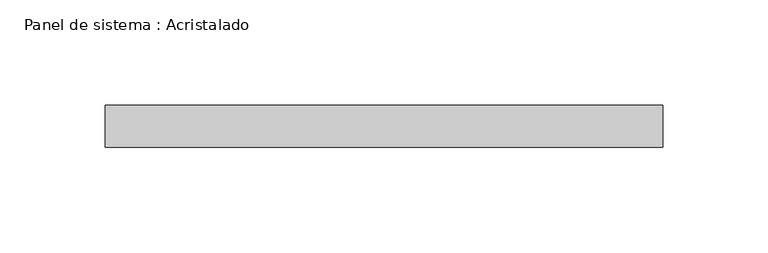
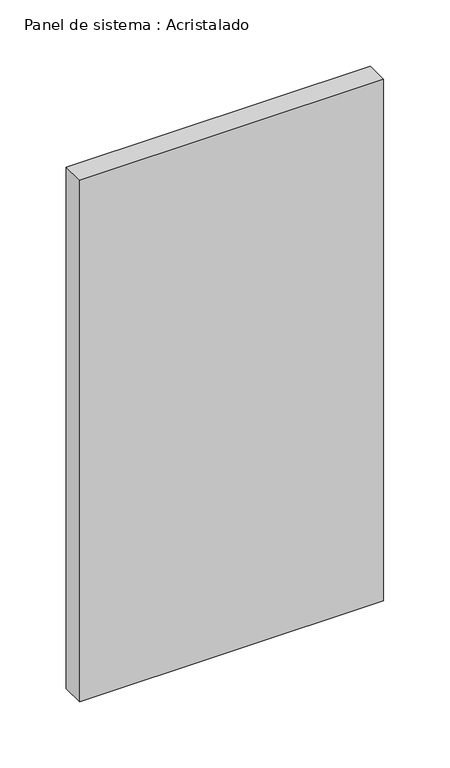
"""IFC4 building model written with IfcOpenShell, lengths in millimetres: plate geometry, Panel de sistema : Acristalado."""

import ifcopenshell
import ifcopenshell.guid

model = None  # the IFC model being written
_history = None  # IfcOwnerHistory: only IFC2X3 demands one
_inside = {}  # id of a spatial element -> (the spatial element, [elements in it])
_under = {}  # id of a project, library or spatial element -> (it, [spatial elements below it])
_declared = {}  # id of a project -> (the project, [libraries it declares])
_typed = {}  # id of a type object -> (the type object, [elements of that type])
_made_of = {}  # id of a material, layer set ... -> (it, [elements and type objects made of it])


def new_model(schema):
    """Start an empty IFC model of exactly this schema.

    Asked for "IFC4X3", IfcOpenShell would pick the latest addendum, in which some entities
    have other attributes; the version numbers below select the first issue.
    IFC2X3 requires an IfcOwnerHistory on every rooted entity: one is made here for all.
    """
    global model, _history
    if schema == "IFC4X3":
        model = ifcopenshell.file(schema_version=(4, 3, 0, 0))
    else:
        model = ifcopenshell.file(schema=schema)
    _inside.clear()
    _under.clear()
    _declared.clear()
    _typed.clear()
    _made_of.clear()
    _history = None
    if model.schema == "IFC2X3":
        org = make("IfcOrganization", Name="unknown")
        user = make(
            "IfcPersonAndOrganization",
            ThePerson=make("IfcPerson", FamilyName="unknown"),
            TheOrganization=org,
        )
        app = make(
            "IfcApplication",
            ApplicationDeveloper=org,
            Version="unknown",
            ApplicationFullName="unknown",
            ApplicationIdentifier="unknown",
        )
        _history = make(
            "IfcOwnerHistory",
            OwningUser=user,
            OwningApplication=app,
            ChangeAction="ADDED",
            CreationDate=0,
        )
    return model


def make(cls, **values):
    """One entity of the class cls with the attributes given. An attribute that is None is left unset."""
    return model.create_entity(
        cls, **{name: value for name, value in values.items() if value is not None}
    )


def rooted(cls, **values):
    """An entity with a GlobalId (a new one), such as an element, a storey or a relation."""
    return make(cls, GlobalId=ifcopenshell.guid.new(), OwnerHistory=_history, **values)


def si_unit(unit_type, name, prefix=None):
    """IfcSIUnit, for example si_unit("LENGTHUNIT", "METRE", prefix="MILLI")."""
    return make("IfcSIUnit", UnitType=unit_type, Prefix=prefix, Name=name)


def assignment(units):
    """IfcUnitAssignment: the units of a project."""
    return None if units is None else make("IfcUnitAssignment", Units=units)


def point(xyz):
    """IfcCartesianPoint."""
    return None if xyz is None else make("IfcCartesianPoint", Coordinates=xyz)


def direction(xyz):
    """IfcDirection."""
    return None if xyz is None else make("IfcDirection", DirectionRatios=xyz)


def frame(location, z_axis=None, x_axis=None):
    """IfcAxis2Placement3D, a coordinate frame: its origin and axes. An axis left out is left unset."""
    return make(
        "IfcAxis2Placement3D",
        Location=point(location),
        Axis=direction(z_axis),
        RefDirection=direction(x_axis),
    )


def origin():
    """The frame at (0, 0, 0) with its axes left unset."""
    return frame((0.0, 0.0, 0.0))


def origin_with_axes():
    """The frame at (0, 0, 0) with the z axis (0, 0, 1) and the x axis (1, 0, 0) written out."""
    return frame((0.0, 0.0, 0.0), z_axis=(0.0, 0.0, 1.0), x_axis=(1.0, 0.0, 0.0))


def place(relative_to, where):
    """IfcLocalPlacement: puts the frame where relative to a parent placement (None: the world)."""
    return make(
        "IfcLocalPlacement", PlacementRelTo=relative_to, RelativePlacement=where
    )


def context(
    kind, dimensions, precision=None, world=None, true_north=None, identifier=None
):
    """IfcGeometricRepresentationContext, for example the 3D "Model" context."""
    return make(
        "IfcGeometricRepresentationContext",
        ContextIdentifier=identifier,
        ContextType=kind,
        CoordinateSpaceDimension=dimensions,
        Precision=precision,
        WorldCoordinateSystem=world,
        TrueNorth=true_north,
    )


def project(units=None, contexts=None):
    """IfcProject with its units and contexts."""
    return rooted(
        "IfcProject",
        Name="project",
        RepresentationContexts=contexts,
        UnitsInContext=assignment(units),
    )


def spatial(cls, under=None, at=None, **own):
    """A site, building, storey or space (cls), placed at a placement, below another one or the project."""
    s = rooted(cls, ObjectPlacement=at, **own)
    if under is not None:
        _under.setdefault(under.id(), (under, []))[1].append(s)
    return s


def polyline(points):
    """IfcPolyline through the points."""
    return make("IfcPolyline", Points=[point(p) for p in points])


def outline(outer, holes=None, kind="AREA"):
    """IfcArbitraryClosedProfileDef: a profile drawn as a closed curve; with holes, ...WithVoids."""
    if holes is None:
        return make("IfcArbitraryClosedProfileDef", ProfileType=kind, OuterCurve=outer)
    return make(
        "IfcArbitraryProfileDefWithVoids",
        ProfileType=kind,
        OuterCurve=outer,
        InnerCurves=holes,
    )


def extrude(swept, where, along, depth):
    """IfcExtrudedAreaSolid: the profile swept, set in the frame where, extruded along a direction by depth."""
    return make(
        "IfcExtrudedAreaSolid",
        SweptArea=swept,
        Position=where,
        ExtrudedDirection=direction(along),
        Depth=depth,
    )


def shape(context_of_items, identifier, shape_type, items):
    """IfcShapeRepresentation: the items that make up one representation, for example the "Body"."""
    return make(
        "IfcShapeRepresentation",
        ContextOfItems=context_of_items,
        RepresentationIdentifier=identifier,
        RepresentationType=shape_type,
        Items=items,
    )


def source(mapping_origin, context_of_items, identifier, shape_type, items):
    """IfcRepresentationMap: a shape defined once, which mapped items show again and again."""
    return make(
        "IfcRepresentationMap",
        MappingOrigin=mapping_origin,
        MappedRepresentation=shape(context_of_items, identifier, shape_type, items),
    )


def transform(
    local_origin,
    x_axis=None,
    y_axis=None,
    z_axis=None,
    scale=None,
    scale2=None,
    scale3=None,
    uniform=True,
):
    """IfcCartesianTransformationOperator3D, or its non-uniform kind. x_axis, y_axis, z_axis: its Axis1, 2, 3."""
    if uniform:
        return make(
            "IfcCartesianTransformationOperator3D",
            Axis1=direction(x_axis),
            Axis2=direction(y_axis),
            LocalOrigin=point(local_origin),
            Scale=scale,
            Axis3=direction(z_axis),
        )
    return make(
        "IfcCartesianTransformationOperator3DnonUniform",
        Axis1=direction(x_axis),
        Axis2=direction(y_axis),
        LocalOrigin=point(local_origin),
        Scale=scale,
        Axis3=direction(z_axis),
        Scale2=scale2,
        Scale3=scale3,
    )


def mapped(mapping_source, mapping_target):
    """IfcMappedItem: shows the shape of a source again, moved by a transform."""
    return make(
        "IfcMappedItem", MappingSource=mapping_source, MappingTarget=mapping_target
    )


def made_of(thing, what):
    """Note that an element or type object is made of a material, layer set ...; save() writes the relation."""
    if what is not None:
        _made_of.setdefault(what.id(), (what, []))[1].append(thing)
    return thing


def element(
    cls,
    number,
    at=None,
    inside=None,
    cuts=None,
    type_object=None,
    material=None,
    context=None,
    identifier="Body",
    shape_type=None,
    held_by="IfcProductDefinitionShape",
    body=None,
    shapes=None,
    **own,
):
    """One element of the class cls, such as IfcWall. Its Tag is "e" and its number.

    at: its placement. inside: the storey or other place that contains it. cuts: it is an
    opening in that element (IfcRelVoidsElement). A single representation is given by context,
    identifier, shape_type and body (its items); several are given by shapes. held_by: the class
    of the entity that holds the representations. save() writes the other relations.
    """
    e = rooted(cls, Tag="e%d" % number, ObjectPlacement=at, **own)
    if body is not None:
        shapes = [shape(context, identifier, shape_type, body)]
    if shapes is not None:
        e.Representation = make(held_by, Representations=shapes)
    if inside is not None:
        _inside.setdefault(inside.id(), (inside, []))[1].append(e)
    if cuts is not None:
        rooted(
            "IfcRelVoidsElement", RelatingBuildingElement=cuts, RelatedOpeningElement=e
        )
    if type_object is not None:
        _typed.setdefault(type_object.id(), (type_object, []))[1].append(e)
    return made_of(e, material)


def aggregate(whole, parts):
    """IfcRelAggregates: a whole, such as a stair, and the parts it consists of."""
    return rooted("IfcRelAggregates", RelatingObject=whole, RelatedObjects=parts)


def save(model, path):
    """Write the relations noted so far, then the file.

    IfcRelAggregates (storeys below a building ...), IfcRelContainedInSpatialStructure (elements
    in a storey), IfcRelDefinesByType, IfcRelAssociatesMaterial and IfcRelDeclares: one each for
    every whole, place, type object, material and project.
    """
    for whole, parts in _under.values():
        aggregate(whole, parts)
    for where, things in _inside.values():
        rooted(
            "IfcRelContainedInSpatialStructure",
            RelatedElements=things,
            RelatingStructure=where,
        )
    for kind, things in _typed.values():
        rooted("IfcRelDefinesByType", RelatedObjects=things, RelatingType=kind)
    for what, things in _made_of.values():
        rooted("IfcRelAssociatesMaterial", RelatedObjects=things, RelatingMaterial=what)
    for by, libraries in _declared.values():
        rooted("IfcRelDeclares", RelatingContext=by, RelatedDefinitions=libraries)
    model.write(path)


def panel_de_sistema_acristalado_703e3e0b(model_context):
    return source(origin(), model_context, "Body", "SweptSolid", [
        extrude(outline(polyline([(132.5, -10.0), (-132.5, -10.0), (-132.5, 10.0), (132.5, 10.0), (132.5, -10.0)])), origin_with_axes(), (0.0, 0.0, 1.0), 480.0197469),
    ])


if __name__ == "__main__":
    model = new_model("IFC4")
    model_context = context("Model", 3, world=origin())
    ifc_project = project(units=[si_unit("LENGTHUNIT", "METRE", prefix="MILLI")], contexts=[model_context])
    site = spatial("IfcSite", under=ifc_project)
    building = spatial("IfcBuilding", under=site)
    placement = place(None, origin())
    panel_de_sistema_acristalado_shape = panel_de_sistema_acristalado_703e3e0b(model_context)
    element("IfcPlate", 1, ObjectType="Panel de sistema : Acristalado", at=placement, inside=building, context=model_context, shape_type="MappedRepresentation", body=[
        mapped(panel_de_sistema_acristalado_shape, transform((0.0, 0.0, 0.0), x_axis=(1.0, 0.0, 0.0), y_axis=(0.0, 1.0, 0.0), z_axis=(0.0, 0.0, 1.0))),
    ])
    save(model, "model.ifc")
